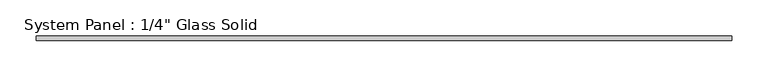
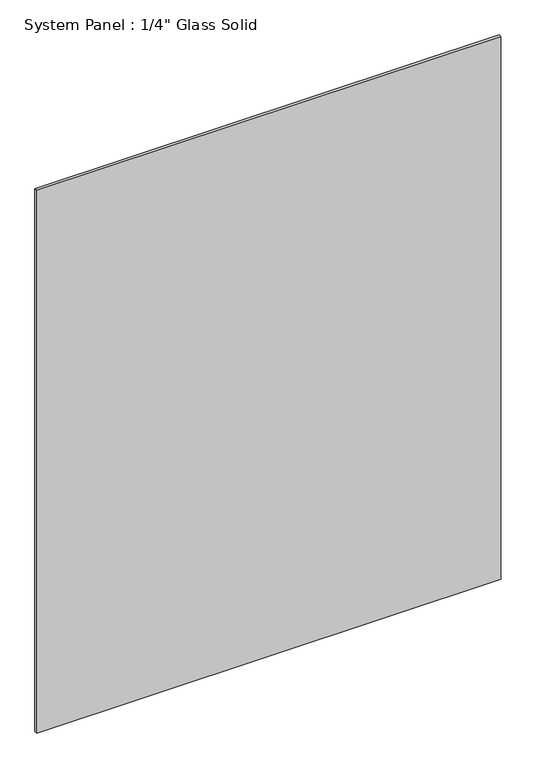
"""IFC4 building model written with IfcOpenShell, lengths in millimetres: plate geometry."""

from ifc_helpers import new_model, si_unit, origin, origin_with_axes, place, context, project, spatial, polyline, outline, extrude, source, transform, mapped, element, save


def plate_6877954d(model_context):
    return source(origin(), model_context, "Body", "SweptSolid", [
        extrude(outline(polyline([(480.4345691, -3.175), (-480.4345691, -3.175), (-480.4345691, 3.175), (480.4345691, 3.175), (480.4345691, -3.175)])), origin_with_axes(), (0.0, 0.0, 1.0), 1187.45),
    ])


if __name__ == "__main__":
    model = new_model("IFC4")
    model_context = context("Model", 3, world=origin())
    ifc_project = project(units=[si_unit("LENGTHUNIT", "METRE", prefix="MILLI")], contexts=[model_context])
    site = spatial("IfcSite", under=ifc_project)
    building = spatial("IfcBuilding", under=site)
    placement = place(None, origin())
    plate_shape = plate_6877954d(model_context)
    element("IfcPlate", 1, ObjectType="System Panel : 1/4\" Glass Solid", at=placement, inside=building, context=model_context, shape_type="MappedRepresentation", body=[
        mapped(plate_shape, transform((0.0, 0.0, 0.0), x_axis=(1.0, 0.0, 0.0), y_axis=(0.0, 1.0, 0.0), z_axis=(0.0, 0.0, 1.0))),
    ])
    save(model, "model.ifc")
